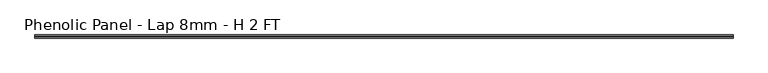
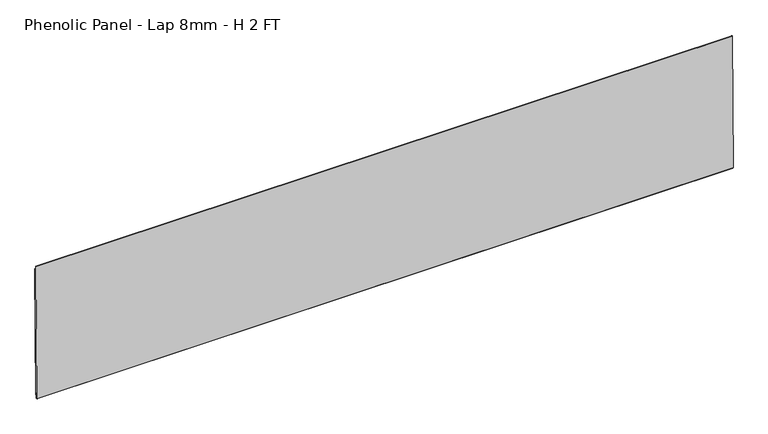
"""IFC4 building model written with IfcOpenShell, lengths in millimetres: proxy geometry, Phenolic Panel - Lap 8mm - H 2 FT."""

from ifc_helpers import new_model, si_unit, frame, origin, place, context, project, spatial, polyline, outline, extrude, source, transform, mapped, element, save


def phenolic_panel_lap_8mm_h_2_ft_6f9b42ad(model_context):
    return source(origin(), model_context, "Body", "SweptSolid", [
        extrude(outline(polyline([(2.7732555, 593.6735917), (-2.7736212, 15.850215), (-5.1547614, 15.873073), (-5.0785681, 23.8102073), (-7.6581367, 23.8349701), (-7.8867168, 0.0235672), (-9.8571575, 0.0424827), (-10.8534851, 1.0581244), (-5.0211492, 608.618069), (-4.0055075, 609.6143966), (-2.6240021, 609.6011347), (-2.7763888, 593.7268661), (2.7732555, 593.6735917)])), frame((-1835.15, 0.0, 0.0), z_axis=(1.0, 0.0, 0.0), x_axis=(0.0, 1.0, 0.0)), (0.0, 0.0, 1.0), 3054.35),
    ])


if __name__ == "__main__":
    model = new_model("IFC4")
    model_context = context("Model", 3, world=origin())
    ifc_project = project(units=[si_unit("LENGTHUNIT", "METRE", prefix="MILLI")], contexts=[model_context])
    site = spatial("IfcSite", under=ifc_project)
    building = spatial("IfcBuilding", under=site)
    placement = place(None, origin())
    phenolic_panel_lap_8mm_h_2_ft_shape = phenolic_panel_lap_8mm_h_2_ft_6f9b42ad(model_context)
    element("IfcBuildingElementProxy", 1, Name="Phenolic Panel - Lap 8mm - H 2 FT", ObjectType="Phenolic Panel - Lap 8mm - H 2 FT", at=placement, inside=building, context=model_context, shape_type="MappedRepresentation", body=[
        mapped(phenolic_panel_lap_8mm_h_2_ft_shape, transform((0.0, 0.0, 0.0), x_axis=(1.0, 0.0, 0.0), y_axis=(0.0, 1.0, 0.0), z_axis=(0.0, 0.0, 1.0))),
    ])
    save(model, "model.ifc")
